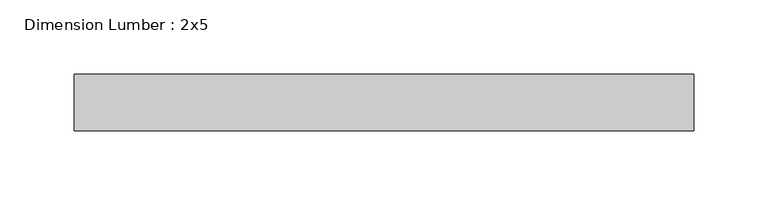
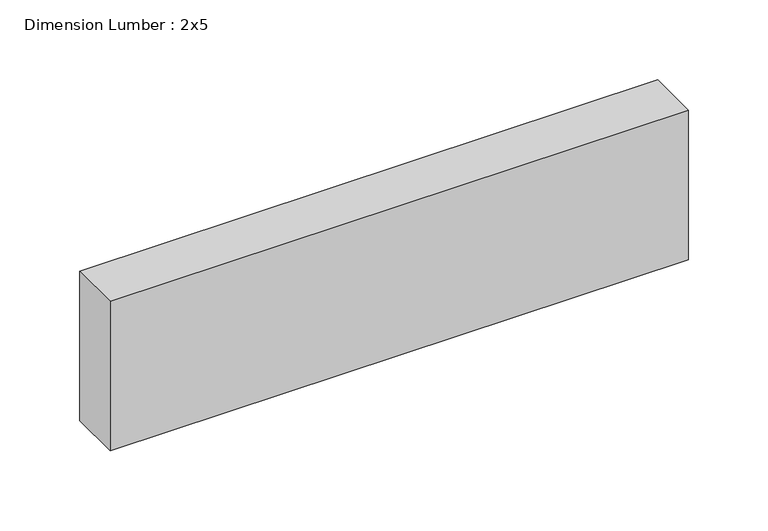
"""IFC4 building model written with IfcOpenShell, lengths in millimetres: beam geometry, Dimension Lumber : 2x5."""

from ifc_helpers import new_model, si_unit, frame, origin, place, context, project, spatial, polyline, outline, extrude, source, transform, mapped, element, save


def dimension_lumber_2x5_7b6aa44d(model_context):
    return source(origin(), model_context, "Body", "SweptSolid", [
        extrude(outline(polyline([(208.9233899, 19.05), (208.9233899, -19.05), (-208.9233899, -19.05), (-208.9233899, 19.05), (208.9233899, 19.05)])), frame((0.0, 0.0, -57.15), z_axis=(0.0, 0.0, 1.0), x_axis=(1.0, 0.0, 0.0)), (0.0, 0.0, 1.0), 114.3),
    ])


if __name__ == "__main__":
    model = new_model("IFC4")
    model_context = context("Model", 3, world=origin())
    ifc_project = project(units=[si_unit("LENGTHUNIT", "METRE", prefix="MILLI")], contexts=[model_context])
    site = spatial("IfcSite", under=ifc_project)
    building = spatial("IfcBuilding", under=site)
    placement = place(None, origin())
    dimension_lumber_2x5_shape = dimension_lumber_2x5_7b6aa44d(model_context)
    element("IfcBeam", 1, ObjectType="Dimension Lumber : 2x5", at=placement, inside=building, context=model_context, shape_type="MappedRepresentation", body=[
        mapped(dimension_lumber_2x5_shape, transform((0.0, 0.0, 0.0), x_axis=(1.0, 0.0, 0.0), y_axis=(0.0, 1.0, 0.0), z_axis=(0.0, 0.0, 1.0))),
    ])
    save(model, "model.ifc")
